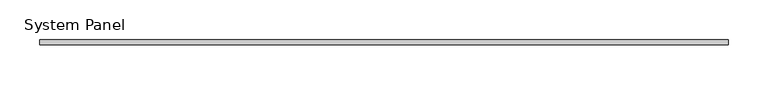
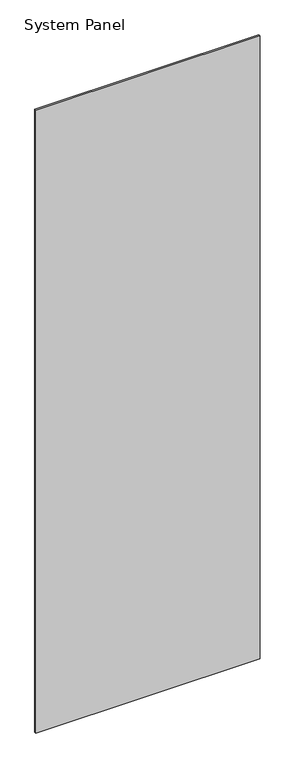
"""IFC4 building model written with IfcOpenShell, lengths in millimetres: plate geometry, System Panel."""

from ifc_helpers import new_model, si_unit, origin, origin_with_axes, place, context, project, spatial, polyline, outline, extrude, source, transform, mapped, element, save


def system_panel_3cfd3562(model_context):
    return source(origin(), model_context, "Body", "SweptSolid", [
        extrude(outline(polyline([(432.5, -3.0), (-432.5, -3.0), (-432.5, 3.0), (432.5, 3.0), (432.5, -3.0)])), origin_with_axes(), (0.0, 0.0, 1.0), 2540.0),
    ])


if __name__ == "__main__":
    model = new_model("IFC4")
    model_context = context("Model", 3, world=origin())
    ifc_project = project(units=[si_unit("LENGTHUNIT", "METRE", prefix="MILLI")], contexts=[model_context])
    site = spatial("IfcSite", under=ifc_project)
    building = spatial("IfcBuilding", under=site)
    placement = place(None, origin())
    system_panel_shape = system_panel_3cfd3562(model_context)
    element("IfcPlate", 1, ObjectType="System Panel", at=placement, inside=building, context=model_context, shape_type="MappedRepresentation", body=[
        mapped(system_panel_shape, transform((0.0, 0.0, 0.0), x_axis=(1.0, 0.0, 0.0), y_axis=(0.0, 1.0, 0.0), z_axis=(0.0, 0.0, 1.0))),
    ])
    save(model, "model.ifc")
